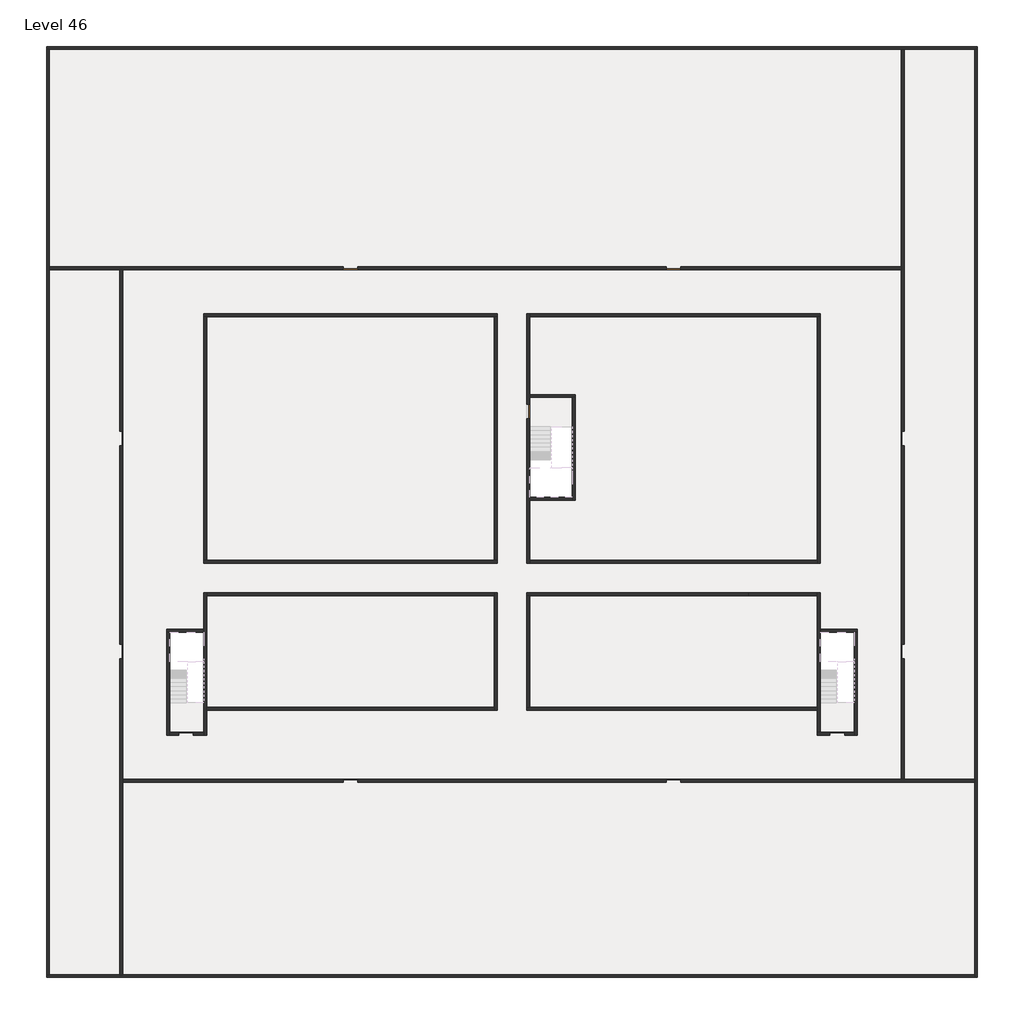
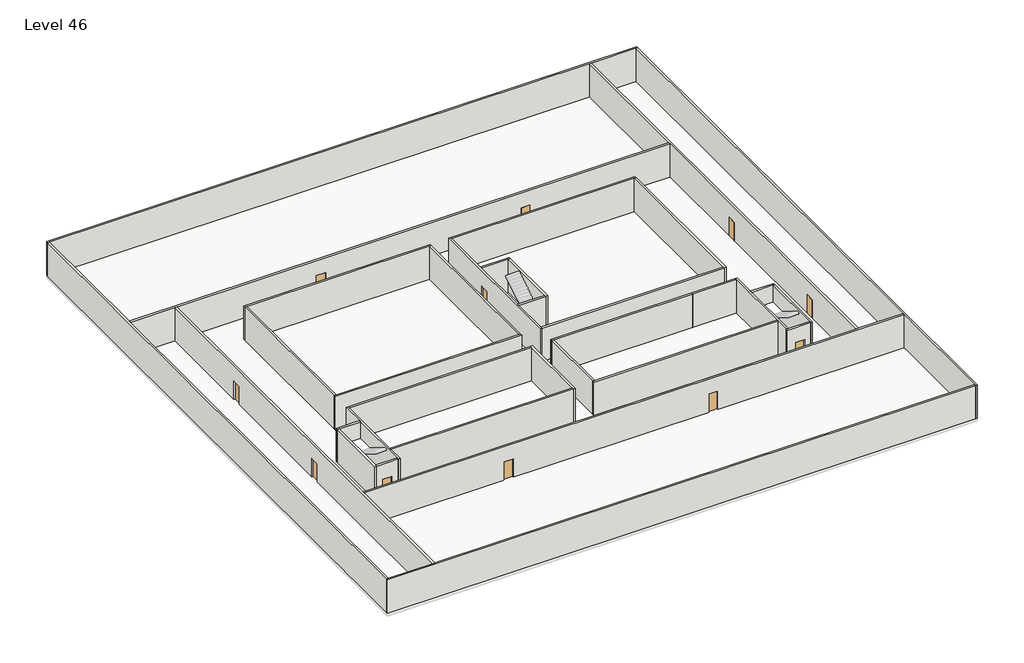
# One storey, part 1 of 2: 34 walls, 11 doors.
"""IFC4 building model written with IfcOpenShell, lengths in millimetres."""

import ifcopenshell
import ifcopenshell.guid

model = None  # the IFC model being written
_history = None  # IfcOwnerHistory: only IFC2X3 demands one
_inside = {}  # id of a spatial element -> (the spatial element, [elements in it])
_under = {}  # id of a project, library or spatial element -> (it, [spatial elements below it])
_declared = {}  # id of a project -> (the project, [libraries it declares])
_typed = {}  # id of a type object -> (the type object, [elements of that type])
_made_of = {}  # id of a material, layer set ... -> (it, [elements and type objects made of it])


def new_model(schema):
    """Start an empty IFC model of exactly this schema.

    Asked for "IFC4X3", IfcOpenShell would pick the latest addendum, in which some entities
    have other attributes; the version numbers below select the first issue.
    IFC2X3 requires an IfcOwnerHistory on every rooted entity: one is made here for all.
    """
    global model, _history
    if schema == "IFC4X3":
        model = ifcopenshell.file(schema_version=(4, 3, 0, 0))
    else:
        model = ifcopenshell.file(schema=schema)
    _inside.clear()
    _under.clear()
    _declared.clear()
    _typed.clear()
    _made_of.clear()
    _history = None
    if model.schema == "IFC2X3":
        org = make("IfcOrganization", Name="unknown")
        user = make(
            "IfcPersonAndOrganization",
            ThePerson=make("IfcPerson", FamilyName="unknown"),
            TheOrganization=org,
        )
        app = make(
            "IfcApplication",
            ApplicationDeveloper=org,
            Version="unknown",
            ApplicationFullName="unknown",
            ApplicationIdentifier="unknown",
        )
        _history = make(
            "IfcOwnerHistory",
            OwningUser=user,
            OwningApplication=app,
            ChangeAction="ADDED",
            CreationDate=0,
        )
    return model


def make(cls, **values):
    """One entity of the class cls with the attributes given. An attribute that is None is left unset."""
    return model.create_entity(
        cls, **{name: value for name, value in values.items() if value is not None}
    )


def rooted(cls, **values):
    """An entity with a GlobalId (a new one), such as an element, a storey or a relation."""
    return make(cls, GlobalId=ifcopenshell.guid.new(), OwnerHistory=_history, **values)


def si_unit(unit_type, name, prefix=None):
    """IfcSIUnit, for example si_unit("LENGTHUNIT", "METRE", prefix="MILLI")."""
    return make("IfcSIUnit", UnitType=unit_type, Prefix=prefix, Name=name)


def assignment(units):
    """IfcUnitAssignment: the units of a project."""
    return None if units is None else make("IfcUnitAssignment", Units=units)


def point(xyz):
    """IfcCartesianPoint."""
    return None if xyz is None else make("IfcCartesianPoint", Coordinates=xyz)


def direction(xyz):
    """IfcDirection."""
    return None if xyz is None else make("IfcDirection", DirectionRatios=xyz)


def frame(location, z_axis=None, x_axis=None):
    """IfcAxis2Placement3D, a coordinate frame: its origin and axes. An axis left out is left unset."""
    return make(
        "IfcAxis2Placement3D",
        Location=point(location),
        Axis=direction(z_axis),
        RefDirection=direction(x_axis),
    )


def origin():
    """The frame at (0, 0, 0) with its axes left unset."""
    return frame((0.0, 0.0, 0.0))


def origin_with_axes():
    """The frame at (0, 0, 0) with the z axis (0, 0, 1) and the x axis (1, 0, 0) written out."""
    return frame((0.0, 0.0, 0.0), z_axis=(0.0, 0.0, 1.0), x_axis=(1.0, 0.0, 0.0))


def place(relative_to, where):
    """IfcLocalPlacement: puts the frame where relative to a parent placement (None: the world)."""
    return make(
        "IfcLocalPlacement", PlacementRelTo=relative_to, RelativePlacement=where
    )


def context(
    kind, dimensions, precision=None, world=None, true_north=None, identifier=None
):
    """IfcGeometricRepresentationContext, for example the 3D "Model" context."""
    return make(
        "IfcGeometricRepresentationContext",
        ContextIdentifier=identifier,
        ContextType=kind,
        CoordinateSpaceDimension=dimensions,
        Precision=precision,
        WorldCoordinateSystem=world,
        TrueNorth=true_north,
    )


def project(units=None, contexts=None):
    """IfcProject with its units and contexts."""
    return rooted(
        "IfcProject",
        Name="project",
        RepresentationContexts=contexts,
        UnitsInContext=assignment(units),
    )


def spatial(cls, under=None, at=None, **own):
    """A site, building, storey or space (cls), placed at a placement, below another one or the project."""
    s = rooted(cls, ObjectPlacement=at, **own)
    if under is not None:
        _under.setdefault(under.id(), (under, []))[1].append(s)
    return s


def polyline(points):
    """IfcPolyline through the points."""
    return make("IfcPolyline", Points=[point(p) for p in points])


def outline(outer, holes=None, kind="AREA"):
    """IfcArbitraryClosedProfileDef: a profile drawn as a closed curve; with holes, ...WithVoids."""
    if holes is None:
        return make("IfcArbitraryClosedProfileDef", ProfileType=kind, OuterCurve=outer)
    return make(
        "IfcArbitraryProfileDefWithVoids",
        ProfileType=kind,
        OuterCurve=outer,
        InnerCurves=holes,
    )


def extrude(swept, where, along, depth):
    """IfcExtrudedAreaSolid: the profile swept, set in the frame where, extruded along a direction by depth."""
    return make(
        "IfcExtrudedAreaSolid",
        SweptArea=swept,
        Position=where,
        ExtrudedDirection=direction(along),
        Depth=depth,
    )


def faces_of(points, faces, orient=None, outer=None):
    """IfcFace entities. A face is a list of loops; a loop is a list of indices into points, from 0.

    orient and outer hold one flag for each loop. By default every Orientation is true, the
    first loop of a face is its IfcFaceOuterBound and the others are IfcFaceBound.
    """
    made = []
    for i, loops in enumerate(faces):
        bounds = []
        for j, loop in enumerate(loops):
            is_outer = j == 0 if outer is None else outer[i][j]
            bounds.append(
                make(
                    "IfcFaceOuterBound" if is_outer else "IfcFaceBound",
                    Bound=make("IfcPolyLoop", Polygon=[points[k] for k in loop]),
                    Orientation=True if orient is None else orient[i][j],
                )
            )
        made.append(make("IfcFace", Bounds=bounds))
    return made


def faceted_brep(points, faces, orient=None, outer=None, voids=None):
    """IfcFacetedBrep: a solid bounded by flat faces; with voids (closed shells), ...WithVoids."""
    shared = [point(p) for p in points]
    hull = make("IfcClosedShell", CfsFaces=faces_of(shared, faces, orient, outer))
    if voids is None:
        return make("IfcFacetedBrep", Outer=hull)
    return make(
        "IfcFacetedBrepWithVoids",
        Outer=hull,
        Voids=[
            make(cls, CfsFaces=faces_of(shared, fs, o, b)) for cls, fs, o, b in voids
        ],
    )


def shape(context_of_items, identifier, shape_type, items):
    """IfcShapeRepresentation: the items that make up one representation, for example the "Body"."""
    return make(
        "IfcShapeRepresentation",
        ContextOfItems=context_of_items,
        RepresentationIdentifier=identifier,
        RepresentationType=shape_type,
        Items=items,
    )


def source(mapping_origin, context_of_items, identifier, shape_type, items):
    """IfcRepresentationMap: a shape defined once, which mapped items show again and again."""
    return make(
        "IfcRepresentationMap",
        MappingOrigin=mapping_origin,
        MappedRepresentation=shape(context_of_items, identifier, shape_type, items),
    )


def transform(
    local_origin,
    x_axis=None,
    y_axis=None,
    z_axis=None,
    scale=None,
    scale2=None,
    scale3=None,
    uniform=True,
):
    """IfcCartesianTransformationOperator3D, or its non-uniform kind. x_axis, y_axis, z_axis: its Axis1, 2, 3."""
    if uniform:
        return make(
            "IfcCartesianTransformationOperator3D",
            Axis1=direction(x_axis),
            Axis2=direction(y_axis),
            LocalOrigin=point(local_origin),
            Scale=scale,
            Axis3=direction(z_axis),
        )
    return make(
        "IfcCartesianTransformationOperator3DnonUniform",
        Axis1=direction(x_axis),
        Axis2=direction(y_axis),
        LocalOrigin=point(local_origin),
        Scale=scale,
        Axis3=direction(z_axis),
        Scale2=scale2,
        Scale3=scale3,
    )


def mapped(mapping_source, mapping_target):
    """IfcMappedItem: shows the shape of a source again, moved by a transform."""
    return make(
        "IfcMappedItem", MappingSource=mapping_source, MappingTarget=mapping_target
    )


def made_of(thing, what):
    """Note that an element or type object is made of a material, layer set ...; save() writes the relation."""
    if what is not None:
        _made_of.setdefault(what.id(), (what, []))[1].append(thing)
    return thing


def element(
    cls,
    number,
    at=None,
    inside=None,
    cuts=None,
    type_object=None,
    material=None,
    context=None,
    identifier="Body",
    shape_type=None,
    held_by="IfcProductDefinitionShape",
    body=None,
    shapes=None,
    **own,
):
    """One element of the class cls, such as IfcWall. Its Tag is "e" and its number.

    at: its placement. inside: the storey or other place that contains it. cuts: it is an
    opening in that element (IfcRelVoidsElement). A single representation is given by context,
    identifier, shape_type and body (its items); several are given by shapes. held_by: the class
    of the entity that holds the representations. save() writes the other relations.
    """
    e = rooted(cls, Tag="e%d" % number, ObjectPlacement=at, **own)
    if body is not None:
        shapes = [shape(context, identifier, shape_type, body)]
    if shapes is not None:
        e.Representation = make(held_by, Representations=shapes)
    if inside is not None:
        _inside.setdefault(inside.id(), (inside, []))[1].append(e)
    if cuts is not None:
        rooted(
            "IfcRelVoidsElement", RelatingBuildingElement=cuts, RelatedOpeningElement=e
        )
    if type_object is not None:
        _typed.setdefault(type_object.id(), (type_object, []))[1].append(e)
    return made_of(e, material)


def aggregate(whole, parts):
    """IfcRelAggregates: a whole, such as a stair, and the parts it consists of."""
    return rooted("IfcRelAggregates", RelatingObject=whole, RelatedObjects=parts)


def save(model, path):
    """Write the relations noted so far, then the file.

    IfcRelAggregates (storeys below a building ...), IfcRelContainedInSpatialStructure (elements
    in a storey), IfcRelDefinesByType, IfcRelAssociatesMaterial and IfcRelDeclares: one each for
    every whole, place, type object, material and project.
    """
    for whole, parts in _under.values():
        aggregate(whole, parts)
    for where, things in _inside.values():
        rooted(
            "IfcRelContainedInSpatialStructure",
            RelatedElements=things,
            RelatingStructure=where,
        )
    for kind, things in _typed.values():
        rooted("IfcRelDefinesByType", RelatedObjects=things, RelatingType=kind)
    for what, things in _made_of.values():
        rooted("IfcRelAssociatesMaterial", RelatedObjects=things, RelatingMaterial=what)
    for by, libraries in _declared.values():
        rooted("IfcRelDeclares", RelatingContext=by, RelatedDefinitions=libraries)
    model.write(path)


def door_fb3c37fd(model_context):
    return source(origin(), model_context, "Body", "SweptSolid", [
        extrude(outline(polyline([(500.0, 49.0), (-500.0, 49.0), (-500.0, 100.0), (500.0, 100.0), (500.0, 49.0)])), origin_with_axes(), (0.0, 0.0, 1.0), 2100.0),
    ])


def door_0317a72c(model_context):
    return source(origin(), model_context, "Body", "SweptSolid", [
        extrude(outline(polyline([(500.0, -49.0), (500.0, -100.0), (-500.0, -100.0), (-500.0, -49.0), (500.0, -49.0)])), origin_with_axes(), (0.0, 0.0, 1.0), 2100.0),
    ])


model = new_model("IFC4")

# Units and contexts
model_context = context("Model", 3, world=origin())
ifc_project = project(units=[si_unit("LENGTHUNIT", "METRE", prefix="MILLI")], contexts=[model_context])

# Site, building, storey
site = spatial("IfcSite", under=ifc_project)
building = spatial("IfcBuilding", under=site)
storey = spatial("IfcBuildingStorey", under=building, Name="Level 46", Elevation=171000.0)

# Doors
placement = place(None, origin())
door_shape = door_fb3c37fd(model_context)
element("IfcDoor", 1, at=placement, inside=storey, context=model_context, shape_type="MappedRepresentation", body=[
    mapped(door_shape, transform((-2409.8941216, -46718.09644, 171000.0), x_axis=(0.0, -1.0, 0.0), y_axis=(1.0, 0.0, 0.0), z_axis=(0.0, 0.0, 1.0))),
])
element("IfcDoor", 2, at=placement, inside=storey, context=model_context, shape_type="MappedRepresentation", body=[
    mapped(door_shape, transform((-2409.8941216, -32218.09644, 171000.0), x_axis=(0.0, -1.0, 0.0), y_axis=(1.0, 0.0, 0.0), z_axis=(0.0, 0.0, 1.0))),
])
element("IfcDoor", 3, at=placement, inside=storey, context=model_context, shape_type="MappedRepresentation", body=[
    mapped(door_shape, transform((13190.1058784, -20618.09644, 171000.0), x_axis=(-1.0, 0.0, 0.0), y_axis=(0.0, -1.0, 0.0), z_axis=(0.0, 0.0, 1.0))),
])
element("IfcDoor", 4, at=placement, inside=storey, context=model_context, shape_type="MappedRepresentation", body=[
    mapped(door_shape, transform((35190.1058784, -20618.09644, 171000.0), x_axis=(-1.0, 0.0, 0.0), y_axis=(0.0, -1.0, 0.0), z_axis=(0.0, 0.0, 1.0))),
])
element("IfcDoor", 5, at=placement, inside=storey, context=model_context, shape_type="MappedRepresentation", body=[
    mapped(door_shape, transform((50790.1058784, -32218.09644, 171000.0), x_axis=(0.0, 1.0, 0.0), y_axis=(-1.0, 0.0, 0.0), z_axis=(0.0, 0.0, 1.0))),
])
element("IfcDoor", 6, at=placement, inside=storey, context=model_context, shape_type="MappedRepresentation", body=[
    mapped(door_shape, transform((50790.1058784, -46718.09644, 171000.0), x_axis=(0.0, 1.0, 0.0), y_axis=(-1.0, 0.0, 0.0), z_axis=(0.0, 0.0, 1.0))),
])
element("IfcDoor", 7, at=placement, inside=storey, context=model_context, shape_type="MappedRepresentation", body=[
    mapped(door_shape, transform((35190.1058784, -55518.09644, 171000.0), x_axis=(1.0, 0.0, 0.0), y_axis=(0.0, 1.0, 0.0), z_axis=(0.0, 0.0, 1.0))),
])
element("IfcDoor", 8, at=placement, inside=storey, context=model_context, shape_type="MappedRepresentation", body=[
    mapped(door_shape, transform((13190.1058784, -55518.09644, 171000.0), x_axis=(1.0, 0.0, 0.0), y_axis=(0.0, 1.0, 0.0), z_axis=(0.0, 0.0, 1.0))),
])
door_2_shape = door_0317a72c(model_context)
element("IfcDoor", 9, at=placement, inside=storey, context=model_context, shape_type="MappedRepresentation", body=[
    mapped(door_2_shape, transform((46340.1058784, -52318.09644, 171000.0), x_axis=(-1.0, 0.0, 0.0), y_axis=(0.0, -1.0, 0.0), z_axis=(0.0, 0.0, 1.0))),
])
element("IfcDoor", 10, at=placement, inside=storey, context=model_context, shape_type="MappedRepresentation", body=[
    mapped(door_2_shape, transform((1990.1058784, -52318.09644, 171000.0), x_axis=(-1.0, 0.0, 0.0), y_axis=(0.0, -1.0, 0.0), z_axis=(0.0, 0.0, 1.0))),
])
element("IfcDoor", 11, at=placement, inside=storey, context=model_context, shape_type="MappedRepresentation", body=[
    mapped(door_2_shape, transform((25290.1058784, -30368.09644, 171000.0), x_axis=(0.0, 1.0, 0.0), y_axis=(-1.0, 0.0, 0.0), z_axis=(0.0, 0.0, 1.0))),
])

# Walls
element("IfcWall", 12, at=placement, inside=storey, context=model_context, shape_type="Brep", body=[
    faceted_brep([(-7509.8941216, -5718.09644, 171000.0), (-7309.8941216, -5718.09644, 171000.0), (50690.1058784, -5718.09644, 171000.0), (50890.1058784, -5718.09644, 171000.0), (55690.1058784, -5718.09644, 171000.0), (55890.1058784, -5718.09644, 171000.0), (55890.1058784, -5718.09644, 174800.0), (55690.1058784, -5718.09644, 174800.0), (50890.1058784, -5718.09644, 174800.0), (50690.1058784, -5718.09644, 174800.0), (-7309.8941216, -5718.09644, 174800.0), (-7509.8941216, -5718.09644, 174800.0), (-7509.8941216, -5518.09644, 171000.0), (-7509.8941216, -5518.09644, 174800.0), (55890.1058784, -5518.09644, 174800.0), (55890.1058784, -5518.09644, 171000.0)], [[[0, 1, 2, 3, 4, 5, 6, 7, 8, 9, 10, 11]], [[12, 13, 14, 15]], [[5, 4, 3, 2, 1, 0, 12, 15]], [[11, 10, 9, 8, 7, 6, 14, 13]], [[0, 11, 13, 12]], [[6, 5, 15, 14]]]),
])
element("IfcWall", 13, at=placement, inside=storey, context=model_context, shape_type="Brep", body=[
    faceted_brep([(55690.1058784, -5718.09644, 171000.0), (55690.1058784, -55418.09644, 171000.0), (55690.1058784, -55618.09644, 171000.0), (55690.1058784, -68718.09644, 171000.0), (55690.1058784, -68918.09644, 171000.0), (55690.1058784, -68918.09644, 174800.0), (55690.1058784, -68718.09644, 174800.0), (55690.1058784, -55618.09644, 174800.0), (55690.1058784, -55418.09644, 174800.0), (55690.1058784, -5718.09644, 174800.0), (55890.1058784, -5718.09644, 171000.0), (55890.1058784, -5718.09644, 174800.0), (55890.1058784, -68918.09644, 174800.0), (55890.1058784, -68918.09644, 171000.0)], [[[0, 1, 2, 3, 4, 5, 6, 7, 8, 9]], [[10, 11, 12, 13]], [[4, 3, 2, 1, 0, 10, 13]], [[9, 8, 7, 6, 5, 12, 11]], [[5, 4, 13, 12]], [[0, 9, 11, 10]]]),
])
element("IfcWall", 14, at=placement, inside=storey, context=model_context, shape_type="Brep", body=[
    faceted_brep([(55690.1058784, -68718.09644, 171000.0), (-2309.8941216, -68718.09644, 171000.0), (-2509.8941216, -68718.09644, 171000.0), (-7309.8941216, -68718.09644, 171000.0), (-7509.8941216, -68718.09644, 171000.0), (-7509.8941216, -68718.09644, 174800.0), (-7309.8941216, -68718.09644, 174800.0), (-2509.8941216, -68718.09644, 174800.0), (-2309.8941216, -68718.09644, 174800.0), (55690.1058784, -68718.09644, 174800.0), (55690.1058784, -68918.09644, 171000.0), (55690.1058784, -68918.09644, 174800.0), (-7509.8941216, -68918.09644, 174800.0), (-7509.8941216, -68918.09644, 171000.0)], [[[0, 1, 2, 3, 4, 5, 6, 7, 8, 9]], [[10, 11, 12, 13]], [[4, 3, 2, 1, 0, 10, 13]], [[9, 8, 7, 6, 5, 12, 11]], [[5, 4, 13, 12]], [[0, 9, 11, 10]]]),
])
element("IfcWall", 15, at=placement, inside=storey, context=model_context, shape_type="Brep", body=[
    faceted_brep([(-7309.8941216, -68718.09644, 171000.0), (-7309.8941216, -20718.09644, 171000.0), (-7309.8941216, -20518.09644, 171000.0), (-7309.8941216, -5718.09644, 171000.0), (-7309.8941216, -5718.09644, 174800.0), (-7309.8941216, -20518.09644, 174800.0), (-7309.8941216, -20718.09644, 174800.0), (-7309.8941216, -68718.09644, 174800.0), (-7509.8941216, -68718.09644, 171000.0), (-7509.8941216, -68718.09644, 174800.0), (-7509.8941216, -5718.09644, 174800.0), (-7509.8941216, -5718.09644, 171000.0)], [[[0, 1, 2, 3, 4, 5, 6, 7]], [[8, 9, 10, 11]], [[3, 2, 1, 0, 8, 11]], [[7, 6, 5, 4, 10, 9]], [[0, 7, 9, 8]], [[4, 3, 11, 10]]]),
])
element("IfcWall", 16, at=placement, inside=storey, context=model_context, shape_type="Brep", body=[
    faceted_brep([(3190.1058784, -23918.09644, 171000.0), (3390.1058784, -23918.09644, 171000.0), (22990.1058784, -23918.09644, 171000.0), (23190.1058784, -23918.09644, 171000.0), (23190.1058784, -23918.09644, 174800.0), (22990.1058784, -23918.09644, 174800.0), (3390.1058784, -23918.09644, 174800.0), (3190.1058784, -23918.09644, 174800.0), (3190.1058784, -23718.09644, 171000.0), (3190.1058784, -23718.09644, 174800.0), (23190.1058784, -23718.09644, 174800.0), (23190.1058784, -23718.09644, 171000.0)], [[[0, 1, 2, 3, 4, 5, 6, 7]], [[8, 9, 10, 11]], [[3, 2, 1, 0, 8, 11]], [[7, 6, 5, 4, 10, 9]], [[0, 7, 9, 8]], [[4, 3, 11, 10]]]),
])
element("IfcWall", 17, at=placement, inside=storey, context=model_context, shape_type="Brep", body=[
    faceted_brep([(44990.1058784, -23918.09644, 171000.0), (44990.1058784, -40518.09644, 171000.0), (44990.1058784, -40718.09644, 171000.0), (44990.1058784, -40718.09644, 174800.0), (44990.1058784, -40518.09644, 174800.0), (44990.1058784, -23918.09644, 174800.0), (45190.1058784, -23918.09644, 171000.0), (45190.1058784, -23918.09644, 174800.0), (45190.1058784, -40718.09644, 174800.0), (45190.1058784, -40718.09644, 171000.0)], [[[0, 1, 2, 3, 4, 5]], [[6, 7, 8, 9]], [[2, 1, 0, 6, 9]], [[5, 4, 3, 8, 7]], [[0, 5, 7, 6]], [[3, 2, 9, 8]]]),
])
element("IfcWall", 18, at=placement, inside=storey, context=model_context, shape_type="Brep", body=[
    faceted_brep([(44990.1058784, -50518.09644, 171000.0), (25390.1058784, -50518.09644, 171000.0), (25190.1058784, -50518.09644, 171000.0), (25190.1058784, -50518.09644, 174800.0), (25390.1058784, -50518.09644, 174800.0), (44990.1058784, -50518.09644, 174800.0), (44990.1058784, -50718.09644, 171000.0), (44990.1058784, -50718.09644, 174800.0), (25190.1058784, -50718.09644, 174800.0), (25190.1058784, -50718.09644, 171000.0)], [[[0, 1, 2, 3, 4, 5]], [[6, 7, 8, 9]], [[2, 1, 0, 6, 9]], [[5, 4, 3, 8, 7]], [[3, 2, 9, 8]], [[0, 5, 7, 6]]]),
])
element("IfcWall", 19, at=placement, inside=storey, context=model_context, shape_type="Brep", body=[
    faceted_brep([(3390.1058784, -52418.09644, 171000.0), (3390.1058784, -50718.09644, 171000.0), (3390.1058784, -50518.09644, 171000.0), (3390.1058784, -42918.09644, 171000.0), (3390.1058784, -42718.09644, 171000.0), (3390.1058784, -42718.09644, 174800.0), (3390.1058784, -42918.09644, 174800.0), (3390.1058784, -50518.09644, 174800.0), (3390.1058784, -50718.09644, 174800.0), (3390.1058784, -52418.09644, 174800.0), (3190.1058784, -52418.09644, 171000.0), (3190.1058784, -52418.09644, 174800.0), (3190.1058784, -52218.09644, 174800.0), (3190.1058784, -45418.09644, 174800.0), (3190.1058784, -45218.09644, 174800.0), (3190.1058784, -42718.09644, 174800.0), (3190.1058784, -42718.09644, 171000.0), (3190.1058784, -45218.09644, 171000.0), (3190.1058784, -45418.09644, 171000.0), (3190.1058784, -52218.09644, 171000.0)], [[[0, 1, 2, 3, 4, 5, 6, 7, 8, 9]], [[10, 11, 12, 13, 14, 15, 16, 17, 18, 19]], [[4, 3, 2, 1, 0, 10, 19, 18, 17, 16]], [[9, 8, 7, 6, 5, 15, 14, 13, 12, 11]], [[5, 4, 16, 15]], [[0, 9, 11, 10]]]),
])
element("IfcWall", 20, at=placement, inside=storey, context=model_context, shape_type="SweptSolid", body=[
    extrude(outline(polyline([(22990.1058784, -40518.09644), (22990.1058784, -23918.09644), (23190.1058784, -23918.09644), (23190.1058784, -40518.09644), (22990.1058784, -40518.09644)])), frame((0.0, 0.0, 171000.0), z_axis=(0.0, 0.0, 1.0), x_axis=(1.0, 0.0, 0.0)), (0.0, 0.0, 1.0), 3800.0),
])
element("IfcWall", 21, at=placement, inside=storey, context=model_context, shape_type="Brep", body=[
    faceted_brep([(23190.1058784, -40518.09644, 171000.0), (22990.1058784, -40518.09644, 171000.0), (3390.1058784, -40518.09644, 171000.0), (3190.1058784, -40518.09644, 171000.0), (3190.1058784, -40518.09644, 174800.0), (3390.1058784, -40518.09644, 174800.0), (22990.1058784, -40518.09644, 174800.0), (23190.1058784, -40518.09644, 174800.0), (23190.1058784, -40718.09644, 171000.0), (23190.1058784, -40718.09644, 174800.0), (3190.1058784, -40718.09644, 174800.0), (3190.1058784, -40718.09644, 171000.0)], [[[0, 1, 2, 3, 4, 5, 6, 7]], [[8, 9, 10, 11]], [[3, 2, 1, 0, 8, 11]], [[7, 6, 5, 4, 10, 9]], [[4, 3, 11, 10]], [[0, 7, 9, 8]]]),
])
element("IfcWall", 22, at=placement, inside=storey, context=model_context, shape_type="SweptSolid", body=[
    extrude(outline(polyline([(22990.1058784, -42918.09644), (3390.1058784, -42918.09644), (3390.1058784, -42718.09644), (22990.1058784, -42718.09644), (22990.1058784, -42918.09644)])), frame((0.0, 0.0, 171000.0), z_axis=(0.0, 0.0, 1.0), x_axis=(1.0, 0.0, 0.0)), (0.0, 0.0, 1.0), 3800.0),
])
element("IfcWall", 23, at=placement, inside=storey, context=model_context, shape_type="SweptSolid", body=[
    extrude(outline(polyline([(25390.1058784, -40518.09644), (44990.1058784, -40518.09644), (44990.1058784, -40718.09644), (25390.1058784, -40718.09644), (25390.1058784, -40518.09644)])), frame((0.0, 0.0, 171000.0), z_axis=(0.0, 0.0, 1.0), x_axis=(1.0, 0.0, 0.0)), (0.0, 0.0, 1.0), 3800.0),
])
element("IfcWall", 24, at=placement, inside=storey, context=model_context, shape_type="Brep", body=[
    faceted_brep([(25390.1058784, -29868.09644, 173100.0), (25390.1058784, -29868.09644, 171000.0), (25390.1058784, -29418.09644, 171000.0), (25390.1058784, -29218.09644, 171000.0), (25390.1058784, -23918.09644, 171000.0), (25390.1058784, -23718.09644, 171000.0), (25390.1058784, -23718.09644, 174800.0), (25390.1058784, -23918.09644, 174800.0), (25390.1058784, -29218.09644, 174800.0), (25390.1058784, -29418.09644, 174800.0), (25390.1058784, -36218.09644, 174800.0), (25390.1058784, -36418.09644, 174800.0), (25390.1058784, -40518.09644, 174800.0), (25390.1058784, -40718.09644, 174800.0), (25390.1058784, -40718.09644, 171000.0), (25390.1058784, -40518.09644, 171000.0), (25390.1058784, -36418.09644, 171000.0), (25390.1058784, -36218.09644, 171000.0), (25390.1058784, -30868.09644, 171000.0), (25390.1058784, -30868.09644, 173100.0), (25190.1058784, -23718.09644, 171000.0), (25190.1058784, -29868.09644, 171000.0), (25190.1058784, -29868.09644, 173100.0), (25190.1058784, -30868.09644, 173100.0), (25190.1058784, -30868.09644, 171000.0), (25190.1058784, -40718.09644, 171000.0), (25190.1058784, -40718.09644, 174800.0), (25190.1058784, -23718.09644, 174800.0)], [[[0, 1, 2, 3, 4, 5, 6, 7, 8, 9, 10, 11, 12, 13, 14, 15, 16, 17, 18, 19]], [[20, 21, 22, 23, 24, 25, 26, 27]], [[5, 4, 3, 2, 1, 21, 20]], [[18, 17, 16, 15, 14, 25, 24]], [[13, 12, 11, 10, 9, 8, 7, 6, 27, 26]], [[22, 21, 1, 0]], [[23, 22, 0, 19]], [[24, 23, 19, 18]], [[14, 13, 26, 25]], [[6, 5, 20, 27]]]),
])
element("IfcWall", 25, at=placement, inside=storey, context=model_context, shape_type="SweptSolid", body=[
    extrude(outline(polyline([(3390.1058784, -23918.09644), (3390.1058784, -40518.09644), (3190.1058784, -40518.09644), (3190.1058784, -23918.09644), (3390.1058784, -23918.09644)])), frame((0.0, 0.0, 171000.0), z_axis=(0.0, 0.0, 1.0), x_axis=(1.0, 0.0, 0.0)), (0.0, 0.0, 1.0), 3800.0),
])
element("IfcWall", 26, at=placement, inside=storey, context=model_context, shape_type="Brep", body=[
    faceted_brep([(25390.1058784, -23918.09644, 171000.0), (44990.1058784, -23918.09644, 171000.0), (45190.1058784, -23918.09644, 171000.0), (45190.1058784, -23918.09644, 174800.0), (44990.1058784, -23918.09644, 174800.0), (25390.1058784, -23918.09644, 174800.0), (25390.1058784, -23718.09644, 171000.0), (25390.1058784, -23718.09644, 174800.0), (45190.1058784, -23718.09644, 174800.0), (45190.1058784, -23718.09644, 171000.0)], [[[0, 1, 2, 3, 4, 5]], [[6, 7, 8, 9]], [[2, 1, 0, 6, 9]], [[5, 4, 3, 8, 7]], [[3, 2, 9, 8]], [[0, 5, 7, 6]]]),
])
element("IfcWall", 27, at=placement, inside=storey, context=model_context, shape_type="Brep", body=[
    faceted_brep([(44990.1058784, -42718.09644, 171000.0), (44990.1058784, -42918.09644, 171000.0), (44990.1058784, -50518.09644, 171000.0), (44990.1058784, -50718.09644, 171000.0), (44990.1058784, -52218.09644, 171000.0), (44990.1058784, -52218.09644, 174800.0), (44990.1058784, -50718.09644, 174800.0), (44990.1058784, -50518.09644, 174800.0), (44990.1058784, -42918.09644, 174800.0), (44990.1058784, -42718.09644, 174800.0), (45190.1058784, -42718.09644, 171000.0), (45190.1058784, -42718.09644, 174800.0), (45190.1058784, -45218.09644, 174800.0), (45190.1058784, -45418.09644, 174800.0), (45190.1058784, -52218.09644, 174800.0), (45190.1058784, -52218.09644, 171000.0), (45190.1058784, -45418.09644, 171000.0), (45190.1058784, -45218.09644, 171000.0)], [[[0, 1, 2, 3, 4, 5, 6, 7, 8, 9]], [[10, 11, 12, 13, 14, 15, 16, 17]], [[4, 3, 2, 1, 0, 10, 17, 16, 15]], [[9, 8, 7, 6, 5, 14, 13, 12, 11]], [[0, 9, 11, 10]], [[5, 4, 15, 14]]]),
])
element("IfcWall", 28, at=placement, inside=storey, context=model_context, shape_type="Brep", body=[
    faceted_brep([(25390.1058784, -29418.09644, 171000.0), (28290.1058784, -29418.09644, 171000.0), (28490.1058784, -29418.09644, 171000.0), (28490.1058784, -29418.09644, 174800.0), (28290.1058784, -29418.09644, 174800.0), (25390.1058784, -29418.09644, 174800.0), (25390.1058784, -29218.09644, 171000.0), (25390.1058784, -29218.09644, 174800.0), (28490.1058784, -29218.09644, 174800.0), (28490.1058784, -29218.09644, 171000.0)], [[[0, 1, 2, 3, 4, 5]], [[6, 7, 8, 9]], [[2, 1, 0, 6, 9]], [[5, 4, 3, 8, 7]], [[3, 2, 9, 8]], [[0, 5, 7, 6]]]),
])
element("IfcWall", 29, at=placement, inside=storey, context=model_context, shape_type="Brep", body=[
    faceted_brep([(28290.1058784, -29418.09644, 171000.0), (28290.1058784, -36218.09644, 171000.0), (28290.1058784, -36418.09644, 171000.0), (28290.1058784, -36418.09644, 174800.0), (28290.1058784, -36218.09644, 174800.0), (28290.1058784, -29418.09644, 174800.0), (28490.1058784, -29418.09644, 171000.0), (28490.1058784, -29418.09644, 174800.0), (28490.1058784, -36418.09644, 174800.0), (28490.1058784, -36418.09644, 171000.0)], [[[0, 1, 2, 3, 4, 5]], [[6, 7, 8, 9]], [[2, 1, 0, 6, 9]], [[5, 4, 3, 8, 7]], [[3, 2, 9, 8]], [[0, 5, 7, 6]]]),
])
element("IfcWall", 30, at=placement, inside=storey, context=model_context, shape_type="SweptSolid", body=[
    extrude(outline(polyline([(25390.1058784, -36218.09644), (28290.1058784, -36218.09644), (28290.1058784, -36418.09644), (25390.1058784, -36418.09644), (25390.1058784, -36218.09644)])), frame((0.0, 0.0, 171000.0), z_axis=(0.0, 0.0, 1.0), x_axis=(1.0, 0.0, 0.0)), (0.0, 0.0, 1.0), 3800.0),
])
element("IfcWall", 31, at=placement, inside=storey, context=model_context, shape_type="SweptSolid", body=[
    extrude(outline(polyline([(25190.1058784, -50518.09644), (25190.1058784, -42918.09644), (25390.1058784, -42918.09644), (25390.1058784, -50518.09644), (25190.1058784, -50518.09644)])), frame((0.0, 0.0, 171000.0), z_axis=(0.0, 0.0, 1.0), x_axis=(1.0, 0.0, 0.0)), (0.0, 0.0, 1.0), 3800.0),
])
element("IfcWall", 32, at=placement, inside=storey, context=model_context, shape_type="Brep", body=[
    faceted_brep([(22990.1058784, -42718.09644, 171000.0), (22990.1058784, -42918.09644, 171000.0), (22990.1058784, -50518.09644, 171000.0), (22990.1058784, -50718.09644, 171000.0), (22990.1058784, -50718.09644, 174800.0), (22990.1058784, -50518.09644, 174800.0), (22990.1058784, -42918.09644, 174800.0), (22990.1058784, -42718.09644, 174800.0), (23190.1058784, -42718.09644, 171000.0), (23190.1058784, -42718.09644, 174800.0), (23190.1058784, -50718.09644, 174800.0), (23190.1058784, -50718.09644, 171000.0)], [[[0, 1, 2, 3, 4, 5, 6, 7]], [[8, 9, 10, 11]], [[3, 2, 1, 0, 8, 11]], [[7, 6, 5, 4, 10, 9]], [[4, 3, 11, 10]], [[0, 7, 9, 8]]]),
])
element("IfcWall", 33, at=placement, inside=storey, context=model_context, shape_type="Brep", body=[
    faceted_brep([(25190.1058784, -42918.09644, 171000.0), (25390.1058784, -42918.09644, 171000.0), (40290.1058784, -42918.09644, 171000.0), (40290.1058784, -42918.09644, 174800.0), (25390.1058784, -42918.09644, 174800.0), (25190.1058784, -42918.09644, 174800.0), (25190.1058784, -42718.09644, 171000.0), (25190.1058784, -42718.09644, 174800.0), (40290.1058784, -42718.09644, 174800.0), (40290.1058784, -42718.09644, 171000.0)], [[[0, 1, 2, 3, 4, 5]], [[6, 7, 8, 9]], [[2, 1, 0, 6, 9]], [[3, 2, 9, 8]], [[5, 4, 3, 8, 7]], [[0, 5, 7, 6]]]),
])
element("IfcWall", 34, at=placement, inside=storey, context=model_context, shape_type="SweptSolid", body=[
    extrude(outline(polyline([(3390.1058784, -50518.09644), (22990.1058784, -50518.09644), (22990.1058784, -50718.09644), (3390.1058784, -50718.09644), (3390.1058784, -50518.09644)])), frame((0.0, 0.0, 171000.0), z_axis=(0.0, 0.0, 1.0), x_axis=(1.0, 0.0, 0.0)), (0.0, 0.0, 1.0), 3800.0),
])
element("IfcWall", 35, at=placement, inside=storey, context=model_context, shape_type="Brep", body=[
    faceted_brep([(45190.1058784, -45418.09644, 171000.0), (47490.1058784, -45418.09644, 171000.0), (47690.1058784, -45418.09644, 171000.0), (47690.1058784, -45418.09644, 174800.0), (47490.1058784, -45418.09644, 174800.0), (45190.1058784, -45418.09644, 174800.0), (45190.1058784, -45218.09644, 171000.0), (45190.1058784, -45218.09644, 174800.0), (47690.1058784, -45218.09644, 174800.0), (47690.1058784, -45218.09644, 171000.0)], [[[0, 1, 2, 3, 4, 5]], [[6, 7, 8, 9]], [[2, 1, 0, 6, 9]], [[5, 4, 3, 8, 7]], [[3, 2, 9, 8]], [[0, 5, 7, 6]]]),
])
element("IfcWall", 36, at=placement, inside=storey, context=model_context, shape_type="Brep", body=[
    faceted_brep([(47490.1058784, -45418.09644, 171000.0), (47490.1058784, -52218.09644, 171000.0), (47490.1058784, -52418.09644, 171000.0), (47490.1058784, -52418.09644, 174800.0), (47490.1058784, -52218.09644, 174800.0), (47490.1058784, -45418.09644, 174800.0), (47690.1058784, -45418.09644, 171000.0), (47690.1058784, -45418.09644, 174800.0), (47690.1058784, -52418.09644, 174800.0), (47690.1058784, -52418.09644, 171000.0)], [[[0, 1, 2, 3, 4, 5]], [[6, 7, 8, 9]], [[2, 1, 0, 6, 9]], [[5, 4, 3, 8, 7]], [[0, 5, 7, 6]], [[3, 2, 9, 8]]]),
])
element("IfcWall", 37, at=placement, inside=storey, context=model_context, shape_type="Brep", body=[
    faceted_brep([(45840.1058784, -52218.09644, 173100.0), (45840.1058784, -52218.09644, 171000.0), (45190.1058784, -52218.09644, 171000.0), (44990.1058784, -52218.09644, 171000.0), (44990.1058784, -52218.09644, 174800.0), (45190.1058784, -52218.09644, 174800.0), (47490.1058784, -52218.09644, 174800.0), (47490.1058784, -52218.09644, 171000.0), (46840.1058784, -52218.09644, 171000.0), (46840.1058784, -52218.09644, 173100.0), (44990.1058784, -52418.09644, 171000.0), (45840.1058784, -52418.09644, 171000.0), (45840.1058784, -52418.09644, 173100.0), (46840.1058784, -52418.09644, 173100.0), (46840.1058784, -52418.09644, 171000.0), (47490.1058784, -52418.09644, 171000.0), (47490.1058784, -52418.09644, 174800.0), (44990.1058784, -52418.09644, 174800.0)], [[[0, 1, 2, 3, 4, 5, 6, 7, 8, 9]], [[10, 11, 12, 13, 14, 15, 16, 17]], [[8, 7, 15, 14]], [[3, 2, 1, 11, 10]], [[6, 5, 4, 17, 16]], [[12, 11, 1, 0]], [[13, 12, 0, 9]], [[14, 13, 9, 8]], [[4, 3, 10, 17]], [[7, 6, 16, 15]]]),
])
element("IfcWall", 38, at=placement, inside=storey, context=model_context, shape_type="Brep", body=[
    faceted_brep([(3190.1058784, -45218.09644, 171000.0), (690.1058784, -45218.09644, 171000.0), (690.1058784, -45218.09644, 174800.0), (3190.1058784, -45218.09644, 174800.0), (3190.1058784, -45418.09644, 171000.0), (3190.1058784, -45418.09644, 174800.0), (890.1058784, -45418.09644, 174800.0), (690.1058784, -45418.09644, 174800.0), (690.1058784, -45418.09644, 171000.0), (890.1058784, -45418.09644, 171000.0)], [[[0, 1, 2, 3]], [[4, 5, 6, 7, 8, 9]], [[1, 0, 4, 9, 8]], [[3, 2, 7, 6, 5]], [[2, 1, 8, 7]], [[0, 3, 5, 4]]]),
])
element("IfcWall", 39, at=placement, inside=storey, context=model_context, shape_type="Brep", body=[
    faceted_brep([(690.1058784, -45418.09644, 171000.0), (690.1058784, -52418.09644, 171000.0), (690.1058784, -52418.09644, 174800.0), (690.1058784, -45418.09644, 174800.0), (890.1058784, -45418.09644, 171000.0), (890.1058784, -45418.09644, 174800.0), (890.1058784, -52218.09644, 174800.0), (890.1058784, -52418.09644, 174800.0), (890.1058784, -52418.09644, 171000.0), (890.1058784, -52218.09644, 171000.0)], [[[0, 1, 2, 3]], [[4, 5, 6, 7, 8, 9]], [[1, 0, 4, 9, 8]], [[3, 2, 7, 6, 5]], [[0, 3, 5, 4]], [[2, 1, 8, 7]]]),
])
element("IfcWall", 40, at=placement, inside=storey, context=model_context, shape_type="SweptSolid", body=[
    extrude(outline(polyline([(171000.0, 890.1058784), (171000.0, 1490.1058784), (173100.0, 1490.1058784), (173100.0, 2490.1058784), (171000.0, 2490.1058784), (171000.0, 3190.1058784), (174800.0, 3190.1058784), (174800.0, 890.1058784), (171000.0, 890.1058784)])), frame((0.0, -52418.09644, 0.0), z_axis=(0.0, 1.0, 0.0), x_axis=(0.0, 0.0, 1.0)), (0.0, 0.0, 1.0), 200.0),
])
element("IfcWall", 41, at=placement, inside=storey, context=model_context, shape_type="SweptSolid", body=[
    extrude(outline(polyline([(44990.1058784, -42918.09644), (40290.1058784, -42918.09644), (40290.1058784, -42718.09644), (44990.1058784, -42718.09644), (44990.1058784, -42918.09644)])), frame((0.0, 0.0, 171000.0), z_axis=(0.0, 0.0, 1.0), x_axis=(1.0, 0.0, 0.0)), (0.0, 0.0, 1.0), 3800.0),
])
element("IfcWall", 42, at=placement, inside=storey, context=model_context, shape_type="Brep", body=[
    faceted_brep([(13690.1058784, -20718.09644, 171000.0), (34690.1058784, -20718.09644, 171000.0), (34690.1058784, -20718.09644, 173100.0), (35690.1058784, -20718.09644, 173100.0), (35690.1058784, -20718.09644, 171000.0), (50690.1058784, -20718.09644, 171000.0), (50690.1058784, -20718.09644, 174800.0), (-2309.8941216, -20718.09644, 174800.0), (-2509.8941216, -20718.09644, 174800.0), (-7309.8941216, -20718.09644, 174800.0), (-7309.8941216, -20718.09644, 171000.0), (-2509.8941216, -20718.09644, 171000.0), (-2309.8941216, -20718.09644, 171000.0), (12690.1058784, -20718.09644, 171000.0), (12690.1058784, -20718.09644, 173100.0), (13690.1058784, -20718.09644, 173100.0), (34690.1058784, -20518.09644, 173100.0), (34690.1058784, -20518.09644, 171000.0), (13690.1058784, -20518.09644, 171000.0), (13690.1058784, -20518.09644, 173100.0), (12690.1058784, -20518.09644, 173100.0), (12690.1058784, -20518.09644, 171000.0), (-7309.8941216, -20518.09644, 171000.0), (-7309.8941216, -20518.09644, 174800.0), (50690.1058784, -20518.09644, 174800.0), (50690.1058784, -20518.09644, 171000.0), (35690.1058784, -20518.09644, 171000.0), (35690.1058784, -20518.09644, 173100.0)], [[[0, 1, 2, 3, 4, 5, 6, 7, 8, 9, 10, 11, 12, 13, 14, 15]], [[16, 17, 18, 19, 20, 21, 22, 23, 24, 25, 26, 27]], [[22, 21, 13, 12, 11, 10]], [[26, 25, 5, 4]], [[18, 17, 1, 0]], [[9, 8, 7, 6, 24, 23]], [[14, 13, 21, 20]], [[15, 14, 20, 19]], [[0, 15, 19, 18]], [[2, 1, 17, 16]], [[3, 2, 16, 27]], [[4, 3, 27, 26]], [[10, 9, 23, 22]], [[6, 5, 25, 24]]]),
])
element("IfcWall", 43, at=placement, inside=storey, context=model_context, shape_type="Brep", body=[
    faceted_brep([(50690.1058784, -32718.09644, 171000.0), (50690.1058784, -46218.09644, 171000.0), (50690.1058784, -46218.09644, 173100.0), (50690.1058784, -47218.09644, 173100.0), (50690.1058784, -47218.09644, 171000.0), (50690.1058784, -55418.09644, 171000.0), (50690.1058784, -55418.09644, 174800.0), (50690.1058784, -20718.09644, 174800.0), (50690.1058784, -20518.09644, 174800.0), (50690.1058784, -5718.09644, 174800.0), (50690.1058784, -5718.09644, 171000.0), (50690.1058784, -20518.09644, 171000.0), (50690.1058784, -20718.09644, 171000.0), (50690.1058784, -31718.09644, 171000.0), (50690.1058784, -31718.09644, 173100.0), (50690.1058784, -32718.09644, 173100.0), (50890.1058784, -46218.09644, 173100.0), (50890.1058784, -46218.09644, 171000.0), (50890.1058784, -32718.09644, 171000.0), (50890.1058784, -32718.09644, 173100.0), (50890.1058784, -31718.09644, 173100.0), (50890.1058784, -31718.09644, 171000.0), (50890.1058784, -5718.09644, 171000.0), (50890.1058784, -5718.09644, 174800.0), (50890.1058784, -55418.09644, 174800.0), (50890.1058784, -55418.09644, 171000.0), (50890.1058784, -47218.09644, 171000.0), (50890.1058784, -47218.09644, 173100.0)], [[[0, 1, 2, 3, 4, 5, 6, 7, 8, 9, 10, 11, 12, 13, 14, 15]], [[16, 17, 18, 19, 20, 21, 22, 23, 24, 25, 26, 27]], [[22, 21, 13, 12, 11, 10]], [[26, 25, 5, 4]], [[18, 17, 1, 0]], [[9, 8, 7, 6, 24, 23]], [[14, 13, 21, 20]], [[15, 14, 20, 19]], [[0, 15, 19, 18]], [[2, 1, 17, 16]], [[3, 2, 16, 27]], [[4, 3, 27, 26]], [[10, 9, 23, 22]], [[6, 5, 25, 24]]]),
])
element("IfcWall", 44, at=placement, inside=storey, context=model_context, shape_type="Brep", body=[
    faceted_brep([(34690.1058784, -55418.09644, 171000.0), (13690.1058784, -55418.09644, 171000.0), (13690.1058784, -55418.09644, 173100.0), (12690.1058784, -55418.09644, 173100.0), (12690.1058784, -55418.09644, 171000.0), (-2309.8941216, -55418.09644, 171000.0), (-2309.8941216, -55418.09644, 174800.0), (50690.1058784, -55418.09644, 174800.0), (50890.1058784, -55418.09644, 174800.0), (55690.1058784, -55418.09644, 174800.0), (55690.1058784, -55418.09644, 171000.0), (50890.1058784, -55418.09644, 171000.0), (50690.1058784, -55418.09644, 171000.0), (35690.1058784, -55418.09644, 171000.0), (35690.1058784, -55418.09644, 173100.0), (34690.1058784, -55418.09644, 173100.0), (13690.1058784, -55618.09644, 173100.0), (13690.1058784, -55618.09644, 171000.0), (34690.1058784, -55618.09644, 171000.0), (34690.1058784, -55618.09644, 173100.0), (35690.1058784, -55618.09644, 173100.0), (35690.1058784, -55618.09644, 171000.0), (55690.1058784, -55618.09644, 171000.0), (55690.1058784, -55618.09644, 174800.0), (-2309.8941216, -55618.09644, 174800.0), (-2309.8941216, -55618.09644, 171000.0), (12690.1058784, -55618.09644, 171000.0), (12690.1058784, -55618.09644, 173100.0)], [[[0, 1, 2, 3, 4, 5, 6, 7, 8, 9, 10, 11, 12, 13, 14, 15]], [[16, 17, 18, 19, 20, 21, 22, 23, 24, 25, 26, 27]], [[22, 21, 13, 12, 11, 10]], [[26, 25, 5, 4]], [[18, 17, 1, 0]], [[9, 8, 7, 6, 24, 23]], [[14, 13, 21, 20]], [[15, 14, 20, 19]], [[0, 15, 19, 18]], [[2, 1, 17, 16]], [[3, 2, 16, 27]], [[4, 3, 27, 26]], [[10, 9, 23, 22]], [[6, 5, 25, 24]]]),
])
element("IfcWall", 45, at=placement, inside=storey, context=model_context, shape_type="Brep", body=[
    faceted_brep([(-2309.8941216, -46218.09644, 171000.0), (-2309.8941216, -32718.09644, 171000.0), (-2309.8941216, -32718.09644, 173100.0), (-2309.8941216, -31718.09644, 173100.0), (-2309.8941216, -31718.09644, 171000.0), (-2309.8941216, -20718.09644, 171000.0), (-2309.8941216, -20718.09644, 174800.0), (-2309.8941216, -55418.09644, 174800.0), (-2309.8941216, -55618.09644, 174800.0), (-2309.8941216, -68718.09644, 174800.0), (-2309.8941216, -68718.09644, 171000.0), (-2309.8941216, -55618.09644, 171000.0), (-2309.8941216, -55418.09644, 171000.0), (-2309.8941216, -47218.09644, 171000.0), (-2309.8941216, -47218.09644, 173100.0), (-2309.8941216, -46218.09644, 173100.0), (-2509.8941216, -32718.09644, 173100.0), (-2509.8941216, -32718.09644, 171000.0), (-2509.8941216, -46218.09644, 171000.0), (-2509.8941216, -46218.09644, 173100.0), (-2509.8941216, -47218.09644, 173100.0), (-2509.8941216, -47218.09644, 171000.0), (-2509.8941216, -68718.09644, 171000.0), (-2509.8941216, -68718.09644, 174800.0), (-2509.8941216, -20718.09644, 174800.0), (-2509.8941216, -20718.09644, 171000.0), (-2509.8941216, -31718.09644, 171000.0), (-2509.8941216, -31718.09644, 173100.0)], [[[0, 1, 2, 3, 4, 5, 6, 7, 8, 9, 10, 11, 12, 13, 14, 15]], [[16, 17, 18, 19, 20, 21, 22, 23, 24, 25, 26, 27]], [[22, 21, 13, 12, 11, 10]], [[26, 25, 5, 4]], [[18, 17, 1, 0]], [[9, 8, 7, 6, 24, 23]], [[14, 13, 21, 20]], [[15, 14, 20, 19]], [[0, 15, 19, 18]], [[2, 1, 17, 16]], [[3, 2, 16, 27]], [[4, 3, 27, 26]], [[10, 9, 23, 22]], [[6, 5, 25, 24]]]),
])

save(model, "model.ifc")
